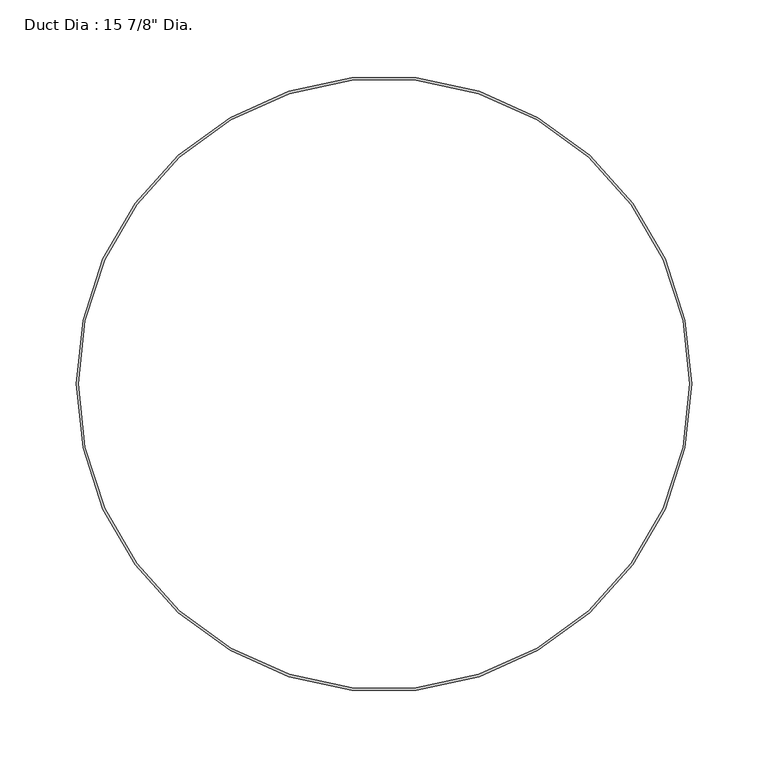
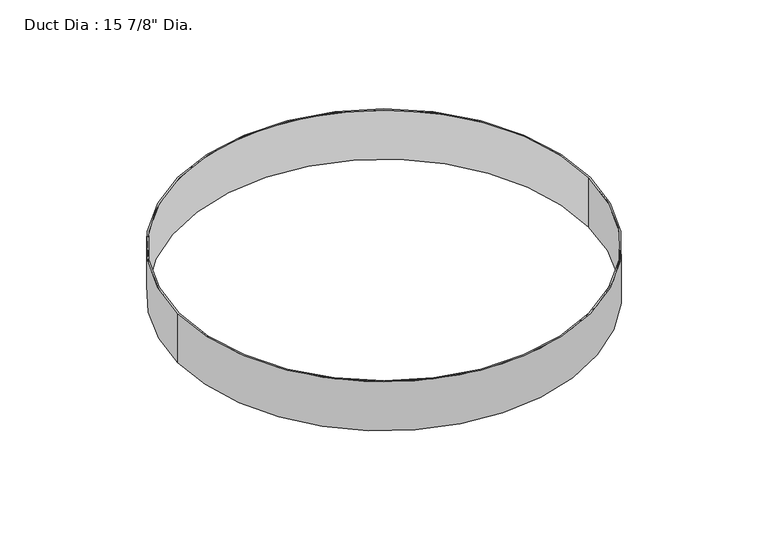
"""IFC4 building model written with IfcOpenShell, lengths in millimetres: proxy geometry."""

from ifc_helpers import new_model, si_unit, point, origin, origin_with_axes, origin_2d, place, context, project, spatial, circle_curve, trimmed, segment, composite_curve, outline, extrude, source, transform, mapped, element, save


def proxy_1980b29d(model_context):
    return source(origin(), model_context, "Body", "SweptSolid", [
        extrude(outline(composite_curve([segment(trimmed(circle_curve(origin_2d(), 201.6621094), [point((-201.6621094, 0.0))], [point((201.6621094, 0.0))], False, "CARTESIAN"), True, "CONTINUOUS"), segment(trimmed(circle_curve(origin_2d(), 201.6621094), [point((201.6621094, 0.0))], [point((-201.6621094, 0.0))], False, "CARTESIAN"), True, "CONTINUOUS")], self_intersect=False), holes=[composite_curve([segment(trimmed(circle_curve(origin_2d(), 200.0746094), [point((-200.0746094, 0.0))], [point((200.0746094, 0.0))], True, "CARTESIAN"), True, "CONTINUOUS"), segment(trimmed(circle_curve(origin_2d(), 200.0746094), [point((200.0746094, 0.0))], [point((-200.0746094, 0.0))], True, "CARTESIAN"), True, "CONTINUOUS")], self_intersect=False)]), origin_with_axes(), (0.0, 0.0, 1.0), 50.8),
    ])


if __name__ == "__main__":
    model = new_model("IFC4")
    model_context = context("Model", 3, world=origin())
    ifc_project = project(units=[si_unit("LENGTHUNIT", "METRE", prefix="MILLI")], contexts=[model_context])
    site = spatial("IfcSite", under=ifc_project)
    building = spatial("IfcBuilding", under=site)
    placement = place(None, origin())
    proxy_shape = proxy_1980b29d(model_context)
    element("IfcBuildingElementProxy", 1, Name="Duct Dia : 15 7/8\" Dia.", ObjectType="Duct Dia : 15 7/8\" Dia.", at=placement, inside=building, context=model_context, shape_type="MappedRepresentation", body=[
        mapped(proxy_shape, transform((0.0, 0.0, 0.0), x_axis=(1.0, 0.0, 0.0), y_axis=(0.0, 1.0, 0.0), z_axis=(0.0, 0.0, 1.0))),
    ])
    save(model, "model.ifc")
